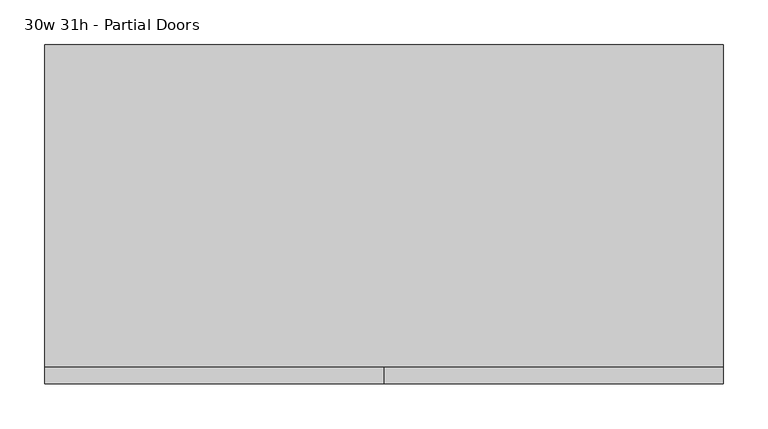
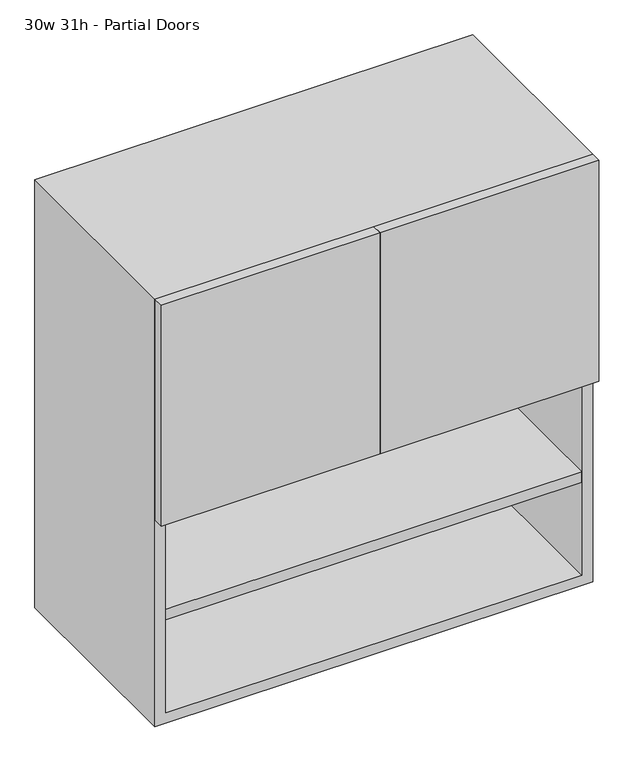
"""IFC4 building model written with IfcOpenShell, lengths in millimetres: furniture geometry, 30w 31h - Partial Doors."""

from ifc_helpers import new_model, si_unit, frame, origin, place, context, project, spatial, polyline, outline, extrude, source, transform, mapped, element, save


def furniture_30w_31h_partial_doors_f092cae8(model_context):
    return source(origin(), model_context, "Body", "SweptSolid", [
        extrude(outline(polyline([(361.9569453, 161.925), (361.9569453, -180.975), (-361.9291641, -180.975), (-361.9291641, 161.925), (361.9569453, 161.925)])), frame((0.0, 0.0, 1117.6), z_axis=(0.0, 0.0, 1.0), x_axis=(1.0, 0.0, 0.0)), (0.0, 0.0, 1.0), 19.05),
        extrude(outline(polyline([(361.9569453, 161.925), (361.9569453, -180.975), (-361.9291641, -180.975), (-361.9291641, 161.925), (361.9569453, 161.925)])), frame((0.0, 0.0, 927.1), z_axis=(0.0, 0.0, 1.0), x_axis=(1.0, 0.0, 0.0)), (0.0, 0.0, 1.0), 19.05),
        extrude(outline(polyline([(0.0138906, -200.025), (0.0138906, -180.975), (381.0138906, -180.975), (381.0138906, -200.025), (0.0138906, -200.025)])), frame((0.0, 0.0, 1117.6), z_axis=(0.0, 0.0, 1.0), x_axis=(1.0, 0.0, 0.0)), (0.0, 0.0, 1.0), 406.4),
        extrude(outline(polyline([(0.0138906, -200.025), (-380.9861094, -200.025), (-380.9861094, -180.975), (0.0138906, -180.975), (0.0138906, -200.025)])), frame((0.0, 0.0, 1117.6), z_axis=(0.0, 0.0, 1.0), x_axis=(1.0, 0.0, 0.0)), (0.0, 0.0, 1.0), 406.4),
        extrude(outline(polyline([(736.6, -380.9861094), (736.6, 381.0138906), (1524.0, 381.0138906), (1524.0, -380.9861094), (736.6, -380.9861094)]), holes=[polyline([(755.65, -361.9361094), (1504.95, -361.9361094), (1504.95, 361.9569453), (755.65, 361.9569453), (755.65, -361.9361094)])]), frame((0.0, -180.975, 0.0), z_axis=(0.0, 1.0, 0.0), x_axis=(0.0, 0.0, 1.0)), (0.0, 0.0, 1.0), 361.95),
        extrude(outline(polyline([(-361.9291641, 161.925), (-361.9291641, 180.975), (361.9569453, 180.975), (361.9569453, 161.925), (-361.9291641, 161.925)])), frame((0.0, 0.0, 755.65), z_axis=(0.0, 0.0, 1.0), x_axis=(1.0, 0.0, 0.0)), (0.0, 0.0, 1.0), 749.3),
    ])


if __name__ == "__main__":
    model = new_model("IFC4")
    model_context = context("Model", 3, world=origin())
    ifc_project = project(units=[si_unit("LENGTHUNIT", "METRE", prefix="MILLI")], contexts=[model_context])
    site = spatial("IfcSite", under=ifc_project)
    building = spatial("IfcBuilding", under=site)
    placement = place(None, origin())
    furniture_30w_31h_partial_doors_shape = furniture_30w_31h_partial_doors_f092cae8(model_context)
    element("IfcFurniture", 1, ObjectType="30w 31h - Partial Doors", at=placement, inside=building, context=model_context, shape_type="MappedRepresentation", body=[
        mapped(furniture_30w_31h_partial_doors_shape, transform((0.0, 0.0, 0.0), x_axis=(1.0, 0.0, 0.0), y_axis=(0.0, 1.0, 0.0), z_axis=(0.0, 0.0, 1.0))),
    ])
    save(model, "model.ifc")
